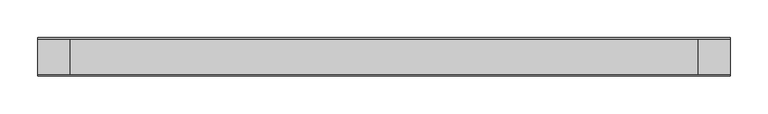
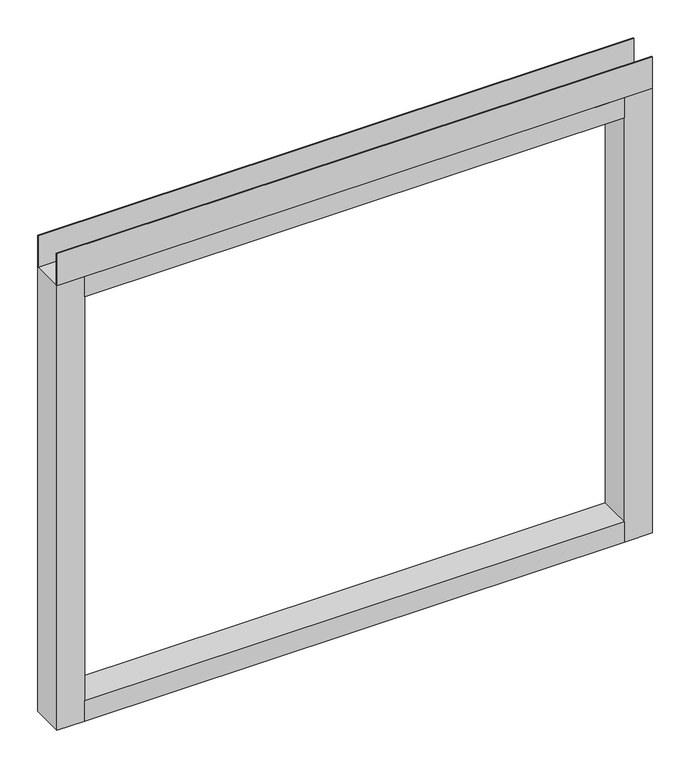
"""IFC4 building model written with IfcOpenShell, lengths in millimetres: furniture geometry."""

from ifc_helpers import new_model, si_unit, frame, origin, place, context, project, spatial, polyline, outline, extrude, source, transform, mapped, element, save


def furniture_5ef9082b(model_context):
    return source(origin(), model_context, "Body", "SweptSolid", [
        extrude(outline(polyline([(457.2, -23.8125), (457.2, -25.4), (-457.2, -25.4), (-457.2, -23.8125), (457.2, -23.8125)])), frame((0.0, 0.0, 822.833), z_axis=(0.0, 0.0, 1.0), x_axis=(1.0, 0.0, 0.0)), (0.0, 0.0, 1.0), 51.435),
        extrude(outline(polyline([(457.2, 25.4), (457.2, 23.8125), (-457.2, 23.8125), (-457.2, 25.4), (457.2, 25.4)])), frame((0.0, 0.0, 822.833), z_axis=(0.0, 0.0, 1.0), x_axis=(1.0, 0.0, 0.0)), (0.0, 0.0, 1.0), 51.435),
        extrude(outline(polyline([(414.3375, -25.4), (-414.3375, -25.4), (-414.3375, 25.4), (414.3375, 25.4), (414.3375, -25.4)])), frame((0.0, 0.0, 789.94), z_axis=(0.0, 0.0, 1.0), x_axis=(1.0, 0.0, 0.0)), (0.0, 0.0, 1.0), 32.893),
        extrude(outline(polyline([(414.3375, -25.4), (-414.3375, -25.4), (-414.3375, 25.4), (414.3375, 25.4), (414.3375, -25.4)])), frame((0.0, 0.0, 101.6), z_axis=(0.0, 0.0, 1.0), x_axis=(1.0, 0.0, 0.0)), (0.0, 0.0, 1.0), 32.893),
        extrude(outline(polyline([(-414.3375, -25.4), (-457.2, -25.4), (-457.2, 25.4), (-414.3375, 25.4), (-414.3375, -25.4)])), frame((0.0, 0.0, 101.6), z_axis=(0.0, 0.0, 1.0), x_axis=(1.0, 0.0, 0.0)), (0.0, 0.0, 1.0), 721.233),
        extrude(outline(polyline([(457.2, -25.4), (414.3375, -25.4), (414.3375, 25.4), (457.2, 25.4), (457.2, -25.4)])), frame((0.0, 0.0, 101.6), z_axis=(0.0, 0.0, 1.0), x_axis=(1.0, 0.0, 0.0)), (0.0, 0.0, 1.0), 721.233),
    ])


if __name__ == "__main__":
    model = new_model("IFC4")
    model_context = context("Model", 3, world=origin())
    ifc_project = project(units=[si_unit("LENGTHUNIT", "METRE", prefix="MILLI")], contexts=[model_context])
    site = spatial("IfcSite", under=ifc_project)
    building = spatial("IfcBuilding", under=site)
    placement = place(None, origin())
    furniture_shape = furniture_5ef9082b(model_context)
    element("IfcFurniture", 1, at=placement, inside=building, context=model_context, shape_type="MappedRepresentation", body=[
        mapped(furniture_shape, transform((0.0, 0.0, 0.0), x_axis=(1.0, 0.0, 0.0), y_axis=(0.0, 1.0, 0.0), z_axis=(0.0, 0.0, 1.0))),
    ])
    save(model, "model.ifc")
